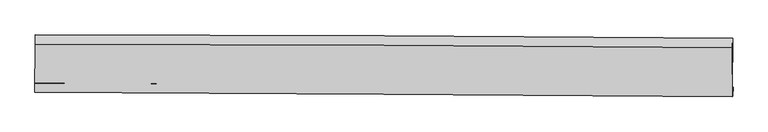
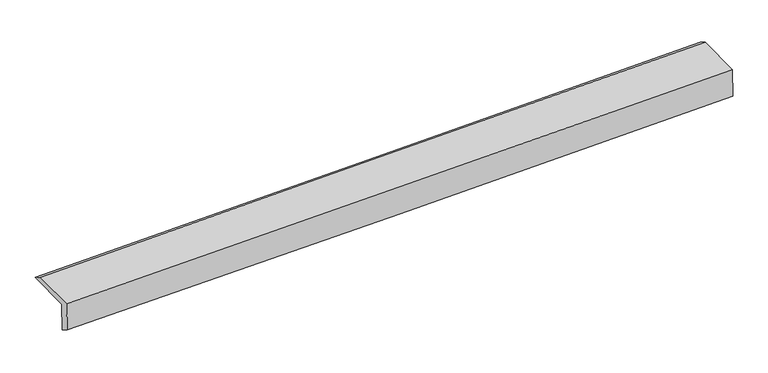
"""IFC4 building model written with IfcOpenShell, lengths in millimetres: proxy geometry."""

from ifc_helpers import new_model, si_unit, frame, origin, place, context, project, spatial, source, transform, mapped, element, save
from ifc_brep_helpers import plane_surface, spline_curve, spline_surface, advanced_brep


def generic_models_c210d7d7(model_context):
    return source(origin(), model_context, "Body", "AdvancedBrep", [
        advanced_brep(
        [(-4778.294565, -1777.7284498, 1528.0067451), (-4788.5907193, -1782.4095462, 1923.7752077), (4764.7738818, -1842.5133843, 2191.6089918), (4775.200061, -1837.7731727, 1790.8425697), (-4781.3758538, -1907.1662081, 1611.3622781), (4772.378822, -1967.0927006, 1864.2021837), (-4791.737064, -1911.8768819, 2009.6313904), (4761.6275371, -1971.98072, 2277.4651745), (-4787.261921, -1253.2285625, 2017.5382182), (4766.2045868, -1298.3338275, 2285.5520545), (-4784.1122386, -1123.2699756, 1931.6879328), (4769.3542693, -1168.3752405, 2199.7017691)],
        [
            (0, 1),
            (1, 2, spline_curve(3, [(-4788.5907193, -1782.4095462, 1923.7752077), (-3195.158669536, -1789.681113128, 1961.802270463), (-1601.825867413, -1798.329584591, 2003.151487802), (1582.628749317, -1818.367673255, 2092.437802958), (3173.750813937, -1829.753814673, 2140.366514117), (4764.7738818, -1842.5133843, 2191.6089918)], [4, 2, 4], [0.0, 15.687993413924927, 31.356170539647245])),
            (2, 3),
            (3, 0, spline_curve(3, [(4775.200061, -1837.7731727, 1790.8425697), (3184.371880191, -1824.924998487, 1732.108939636), (1593.336498558, -1813.499447523, 1680.848255846), (-1591.161185872, -1793.480938697, 1593.21739912), (-3184.624012764, -1784.891582363, 1556.866141941), (-4778.294565, -1777.7284498, 1528.0067451)], [4, 2, 4], [0.0, 15.668177125722318, 31.356170539647245])),
            (4, 0),
            (3, 5),
            (5, 4, spline_curve(3, [(4772.378822, -1967.0927006, 1864.2021837), (3181.42064345, -1954.303629421, 1810.465460383), (1590.298578849, -1942.917487965, 1762.536748929), (-1594.285898414, -1922.938439794, 1678.242080222), (-3187.748725328, -1914.349083573, 1641.890822539), (-4781.3758538, -1907.1662081, 1611.3622781)], [4, 2, 4], [0.0, 15.668205846176962, 31.356228016880653])),
            (6, 4),
            (5, 7),
            (7, 6, spline_curve(3, [(4761.6275371, -1971.98072, 2277.4651745), (3170.604469412, -1959.221150275, 2226.222696758), (1579.482404641, -1947.835009351, 2178.293986072), (-1604.972212137, -1927.796919895, 2089.007670087), (-3198.305014012, -1919.148448483, 2047.658453423), (-4791.737064, -1911.8768819, 2009.6313904)], [4, 2, 4], [0.0, 15.668151592852425, 31.356119441614823])),
            (8, 6),
            (7, 9),
            (9, 8, spline_curve(3, [(4766.2045868, -1298.3338275, 2285.5520545), (3175.198471266, -1283.07923088, 2234.33952867), (1584.076406343, -1271.693089786, 2186.410817612), (-1600.412135679, -1256.64821004, 2097.064560867), (-3193.778906808, -1252.999262717, 2055.655325997), (-4787.261921, -1253.2285625, 2017.5382182)], [4, 2, 4], [0.0, 15.668169442751713, 31.356155163989015])),
            (10, 8),
            (9, 11),
            (11, 10, spline_curve(3, [(4769.3542693, -1168.3752405, 2199.7017691), (3178.348153559, -1153.120644053, 2148.489243289), (1587.226089226, -1141.734502583, 2100.560532436), (-1597.262453763, -1126.689623243, 2011.214275042), (-3190.629224692, -1123.040676073, 1969.805040715), (-4784.1122386, -1123.2699756, 1931.6879328)], [4, 2, 4], [0.0, 15.668223444668248, 31.356263236120874])),
            (1, 10),
            (11, 2),
        ],
        [
            spline_surface(3, 3, [[(-4778.294565, -1777.7284498, 1528.0067451), (-3184.624012857, -1784.891582613, 1556.866141793), (-1591.161185765, -1793.480938898, 1593.217399358), (1593.336498451, -1813.499447323, 1680.848255609), (3184.371880038, -1824.924998673, 1732.10893961), (4775.200061, -1837.7731727, 1790.8425697)], [(-4781.72661643, -1779.288815282, 1659.929565962), (-3188.135565068, -1786.488092738, 1691.844851402), (-1594.716079616, -1795.097154089, 1729.862095458), (1589.767248679, -1815.122189364, 1818.044771448), (3180.831524692, -1826.534604004, 1868.194797787), (4771.724667931, -1839.353243248, 1924.431377054)], [(-4785.15866787, -1780.849180718, 1791.852386838), (-3191.64711729, -1788.084602817, 1826.823561024), (-1598.270973422, -1796.713369244, 1866.506791546), (1586.19799895, -1816.74493137, 1955.241287274), (3177.291169354, -1828.144209291, 2004.280656002), (4768.249274869, -1840.933313752, 2058.020184446)], [(-4788.5907193, -1782.4095462, 1923.7752077), (-3195.158669501, -1789.681112943, 1961.802270632), (-1601.825867273, -1798.329584435, 2003.151487647), (1582.628749177, -1818.367673411, 2092.437803113), (3173.750814007, -1829.753814622, 2140.36651418), (4764.7738818, -1842.5133843, 2191.6089918)]], [4, 4], [4, 2, 4], [0.0, 1.34819051400848], [0.0, 15.687993413924927, 31.356170539647245]),
            spline_surface(3, 3, [[(-4781.3758538, -1907.1662081, 1611.3622781), (-3187.748725538, -1914.349083369, 1641.890822529), (-1594.285898346, -1922.938439654, 1678.242079994), (1590.298578782, -1942.917488105, 1762.536749157), (3181.420643511, -1954.303629316, 1810.465460224), (4772.378822, -1967.0927006, 1864.2021837)], [(-4780.34875754, -1864.020288647, 1583.577100461), (-3186.707154651, -1871.196583097, 1613.549262312), (-1593.244327459, -1879.785939382, 1649.900519776), (1591.311218698, -1899.778141157, 1735.307251302), (3182.404389001, -1911.177419079, 1784.346620031), (4773.319234981, -1923.986191277, 1839.748979045)], [(-4779.32166126, -1820.874369253, 1555.791922739), (-3185.665583743, -1828.044082885, 1585.207702011), (-1592.202756651, -1836.63343917, 1621.558959575), (1592.323858535, -1856.63879427, 1708.077753464), (3183.388134548, -1868.05120891, 1758.227779803), (4774.259648019, -1880.879682023, 1815.295774355)], [(-4778.294565, -1777.7284498, 1528.0067451), (-3184.624012857, -1784.891582613, 1556.866141793), (-1591.161185765, -1793.480938898, 1593.217399358), (1593.336498451, -1813.499447323, 1680.848255609), (3184.371880038, -1824.924998673, 1732.10893961), (4775.200061, -1837.7731727, 1790.8425697)]], [4, 4], [4, 2, 4], [0.0, 0.5052100318247037], [0.0, 15.688022170703691, 31.356228016880653]),
            spline_surface(3, 3, [[(-4791.737064, -1911.8768819, 2009.6313904), (-3198.305014201, -1919.148448643, 2047.658453332), (-1604.972211973, -1927.796920135, 2089.007670347), (1579.482404477, -1947.835009111, 2178.293985813), (3170.604469307, -1959.221150322, 2226.22269688), (4761.6275371, -1971.98072, 2277.4651745)], [(-4788.283327268, -1910.306657301, 1876.875019606), (-3194.786251314, -1917.548660219, 1912.402576371), (-1601.410107447, -1926.177426646, 1952.085806894), (1583.087795896, -1946.195835447, 2039.708240259), (3174.209860725, -1957.581976658, 2087.636951326), (4765.21129875, -1970.351380204, 2139.710844231)], [(-4784.829590532, -1908.736432699, 1744.118648894), (-3191.267488425, -1915.948871793, 1777.146699491), (-1597.848002872, -1924.557933143, 1815.163943447), (1586.693187363, -1944.556661769, 1901.122494711), (3177.815252093, -1955.94280298, 1949.051205778), (4768.79506035, -1968.722040396, 2001.956513969)], [(-4781.3758538, -1907.1662081, 1611.3622781), (-3187.748725538, -1914.349083369, 1641.890822529), (-1594.285898346, -1922.938439654, 1678.242079994), (1590.298578782, -1942.917488105, 1762.536749157), (3181.420643511, -1954.303629316, 1810.465460224), (4772.378822, -1967.0927006, 1864.2021837)]], [4, 4], [4, 2, 4], [0.0, 1.356387721585037], [0.0, 15.687967848762398, 31.356119441614823]),
            spline_surface(3, 3, [[(-4787.261921, -1253.2285625, 2017.5382182), (-3193.778907055, -1252.999262889, 2055.655326239), (-1600.41213591, -1256.64821004, 2097.064560697), (1584.076406574, -1271.693089785, 2186.410817781), (3175.198471304, -1283.079230997, 2234.339528748), (4766.2045868, -1298.3338275, 2285.5520545)], [(-4788.753635318, -1472.77800231, 2014.902608944), (-3195.287609422, -1475.048991483, 2052.989701947), (-1601.932161258, -1480.364446761, 2094.378930596), (1582.545072548, -1497.073729583, 2183.70520714), (3173.667137278, -1508.459870794, 2231.633918107), (4764.67890354, -1522.882791689, 2282.856427815)], [(-4790.245349682, -1692.32744209, 2012.266999656), (-3196.796311834, -1697.098720049, 2050.324077624), (-1603.452186625, -1704.080683415, 2091.693300448), (1581.013738503, -1722.454369314, 2180.999596453), (3172.135803333, -1733.840510525, 2228.92830752), (4763.15322036, -1747.431755811, 2280.160801185)], [(-4791.737064, -1911.8768819, 2009.6313904), (-3198.305014201, -1919.148448643, 2047.658453332), (-1604.972211973, -1927.796920135, 2089.007670347), (1579.482404477, -1947.835009111, 2178.293985813), (3170.604469307, -1959.221150322, 2226.22269688), (4761.6275371, -1971.98072, 2277.4651745)]], [4, 4], [4, 2, 4], [0.0, 2.210322316044839], [0.0, 15.687985721237302, 31.356155163989015]),
            spline_surface(3, 3, [[(-4784.1122386, -1123.2699756, 1931.6879328), (-3190.629224655, -1123.040675989, 1969.805040839), (-1597.26245351, -1126.68962304, 2011.214275197), (1587.226088974, -1141.734502785, 2100.560532281), (3178.348153804, -1153.120643997, 2148.489243348), (4769.3542693, -1168.3752405, 2199.7017691)], [(-4785.162132753, -1166.589504581, 1960.304694607), (-3191.679118808, -1166.36020497, 1998.421802647), (-1598.312347663, -1170.009152021, 2039.831037005), (1586.176194821, -1185.054031766, 2129.177294088), (3177.298259651, -1196.440172978, 2177.106005155), (4768.304375147, -1211.694769481, 2228.318530907)], [(-4786.212026847, -1209.909033519, 1988.921456393), (-3192.729012902, -1209.679733908, 2027.038564432), (-1599.362241757, -1213.328681059, 2068.44779889), (1585.126300727, -1228.373560804, 2157.794055973), (3176.248365457, -1239.759702015, 2205.72276694), (4767.254480953, -1255.014298519, 2256.935292693)], [(-4787.261921, -1253.2285625, 2017.5382182), (-3193.778907055, -1252.999262889, 2055.655326239), (-1600.41213591, -1256.64821004, 2097.064560697), (1584.076406574, -1271.693089785, 2186.410817781), (3175.198471304, -1283.079230997, 2234.339528748), (4766.2045868, -1298.3338275, 2285.5520545)]], [4, 4], [4, 2, 4], [0.0, 0.5111104879067202], [0.0, 15.688039791452626, 31.356263236120874]),
            spline_surface(3, 3, [[(-4788.5907193, -1782.4095462, 1923.7752077), (-3195.158669501, -1789.681112943, 1961.802270632), (-1601.825867273, -1798.329584435, 2003.151487647), (1582.628749177, -1818.367673411, 2092.437803113), (3173.750814007, -1829.753814622, 2140.36651418), (4764.7738818, -1842.5133843, 2191.6089918)], [(-4787.09789239, -1562.69635598, 1926.412782719), (-3193.648854542, -1567.467633938, 1964.469860687), (-1600.304729334, -1574.449597304, 2005.839083511), (1584.161195794, -1592.823283203, 2095.145379516), (3175.283260624, -1604.209424414, 2143.074090583), (4766.300677652, -1617.8006697, 2194.306584247)], [(-4785.60506551, -1342.98316582, 1929.050357781), (-3192.139039614, -1345.254154994, 1967.137450785), (-1598.783591449, -1350.569610171, 2008.526679333), (1585.693642357, -1367.278892993, 2097.852955877), (3176.815707187, -1378.665034205, 2145.781666945), (4767.827473448, -1393.0879551, 2197.004176653)], [(-4784.1122386, -1123.2699756, 1931.6879328), (-3190.629224655, -1123.040675989, 1969.805040839), (-1597.26245351, -1126.68962304, 2011.214275197), (1587.226088974, -1141.734502785, 2100.560532281), (3178.348153804, -1153.120643997, 2148.489243348), (4769.3542693, -1168.3752405, 2199.7017691)]], [4, 4], [4, 2, 4], [0.0, 2.211934186012481], [0.0, 15.687985721237299, 31.35615516398901]),
            plane_surface(frame((4768.2565263, -1681.0115076, 2101.5621239), z_axis=(0.9996387273751804, -0.00710316619062364, 0.02592218667084626), x_axis=(-0.006793788322540432, -0.9999048758621503, -0.012003485632368366))),
            plane_surface(frame((-4785.228727, -1625.946604, 1837.0002954), z_axis=(-0.9996387273751804, 0.0071031661906242995, -0.025922186670845542), x_axis=(0.02600498359850076, 0.01182303925250518, -0.9995918950105965))),
        ],
        [
            (0, [[1, 2, 3, 4]]),
            (1, [[5, -4, 6, 7]]),
            (2, [[8, -7, 9, 10]]),
            (3, [[11, -10, 12, 13]]),
            (4, [[14, -13, 15, 16]]),
            (5, [[17, -16, 18, -2]]),
            (6, [[-12, -9, -6, -3, -18, -15]]),
            (7, [[-1, -5, -8, -11, -14, -17]]),
        ],
    ),
    ])


if __name__ == "__main__":
    model = new_model("IFC4")
    model_context = context("Model", 3, world=origin())
    ifc_project = project(units=[si_unit("LENGTHUNIT", "METRE", prefix="MILLI")], contexts=[model_context])
    site = spatial("IfcSite", under=ifc_project)
    building = spatial("IfcBuilding", under=site)
    placement = place(None, origin())
    generic_models_shape = generic_models_c210d7d7(model_context)
    element("IfcBuildingElementProxy", 1, Name="Generic Models", at=placement, inside=building, context=model_context, shape_type="MappedRepresentation", body=[
        mapped(generic_models_shape, transform((0.0, 0.0, 0.0), x_axis=(1.0, 0.0, 0.0), y_axis=(0.0, 1.0, 0.0), z_axis=(0.0, 0.0, 1.0))),
    ])
    save(model, "model.ifc")
